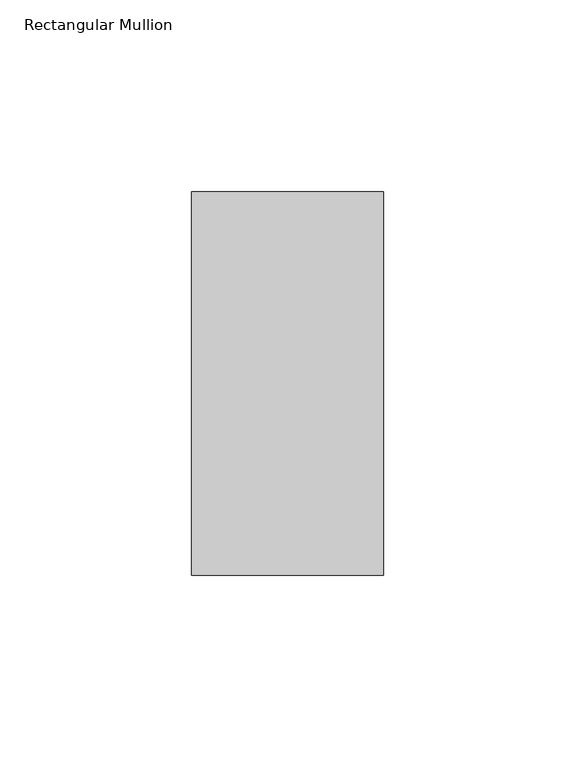
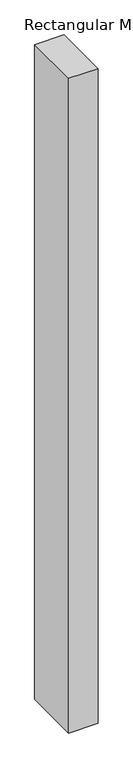
"""IFC4 building model written with IfcOpenShell, lengths in millimetres: member geometry, Rectangular Mullion."""

from ifc_helpers import new_model, si_unit, frame, origin, place, context, project, spatial, polyline, outline, extrude, source, transform, mapped, element, save


def rectangular_mullion_9f913544(model_context):
    return source(origin(), model_context, "Body", "SweptSolid", [
        extrude(outline(polyline([(0.0, 31.0), (0.0, -69.0), (-50.0, -69.0), (-50.0, 31.0), (0.0, 31.0)])), frame((0.0, 0.0, -1175.0), z_axis=(0.0, 0.0, 1.0), x_axis=(1.0, 0.0, 0.0)), (0.0, 0.0, 1.0), 1175.0),
    ])


if __name__ == "__main__":
    model = new_model("IFC4")
    model_context = context("Model", 3, world=origin())
    ifc_project = project(units=[si_unit("LENGTHUNIT", "METRE", prefix="MILLI")], contexts=[model_context])
    site = spatial("IfcSite", under=ifc_project)
    building = spatial("IfcBuilding", under=site)
    placement = place(None, origin())
    rectangular_mullion_shape = rectangular_mullion_9f913544(model_context)
    element("IfcMember", 1, ObjectType="Rectangular Mullion", at=placement, inside=building, context=model_context, shape_type="MappedRepresentation", body=[
        mapped(rectangular_mullion_shape, transform((0.0, 0.0, 0.0), x_axis=(1.0, 0.0, 0.0), y_axis=(0.0, 1.0, 0.0), z_axis=(0.0, 0.0, 1.0))),
    ])
    save(model, "model.ifc")
